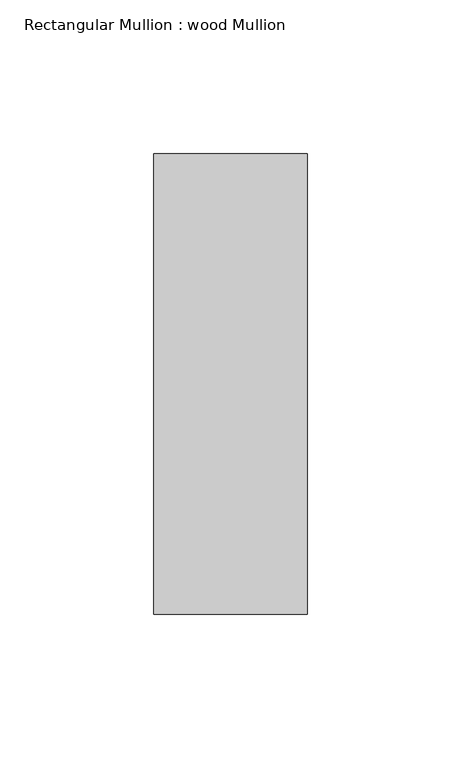
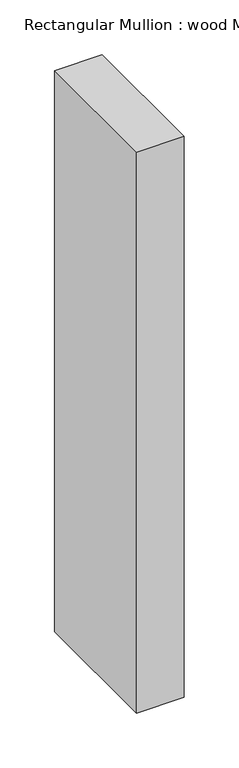
"""IFC4 building model written with IfcOpenShell, lengths in millimetres: member geometry, Rectangular Mullion : wood Mullion."""

from ifc_helpers import new_model, si_unit, frame, origin, place, context, project, spatial, polyline, outline, extrude, source, transform, mapped, element, save


def rectangular_mullion_wood_mullion_c7345f5c(model_context):
    return source(origin(), model_context, "Body", "SweptSolid", [
        extrude(outline(polyline([(25.0, 75.0), (25.0, -75.0), (-25.0, -75.0), (-25.0, 75.0), (25.0, 75.0)])), frame((0.0, 0.0, -625.0), z_axis=(0.0, 0.0, 1.0), x_axis=(1.0, 0.0, 0.0)), (0.0, 0.0, 1.0), 625.0),
    ])


if __name__ == "__main__":
    model = new_model("IFC4")
    model_context = context("Model", 3, world=origin())
    ifc_project = project(units=[si_unit("LENGTHUNIT", "METRE", prefix="MILLI")], contexts=[model_context])
    site = spatial("IfcSite", under=ifc_project)
    building = spatial("IfcBuilding", under=site)
    placement = place(None, origin())
    rectangular_mullion_wood_mullion_shape = rectangular_mullion_wood_mullion_c7345f5c(model_context)
    element("IfcMember", 1, ObjectType="Rectangular Mullion : wood Mullion", at=placement, inside=building, context=model_context, shape_type="MappedRepresentation", body=[
        mapped(rectangular_mullion_wood_mullion_shape, transform((0.0, 0.0, 0.0), x_axis=(1.0, 0.0, 0.0), y_axis=(0.0, 1.0, 0.0), z_axis=(0.0, 0.0, 1.0))),
    ])
    save(model, "model.ifc")
